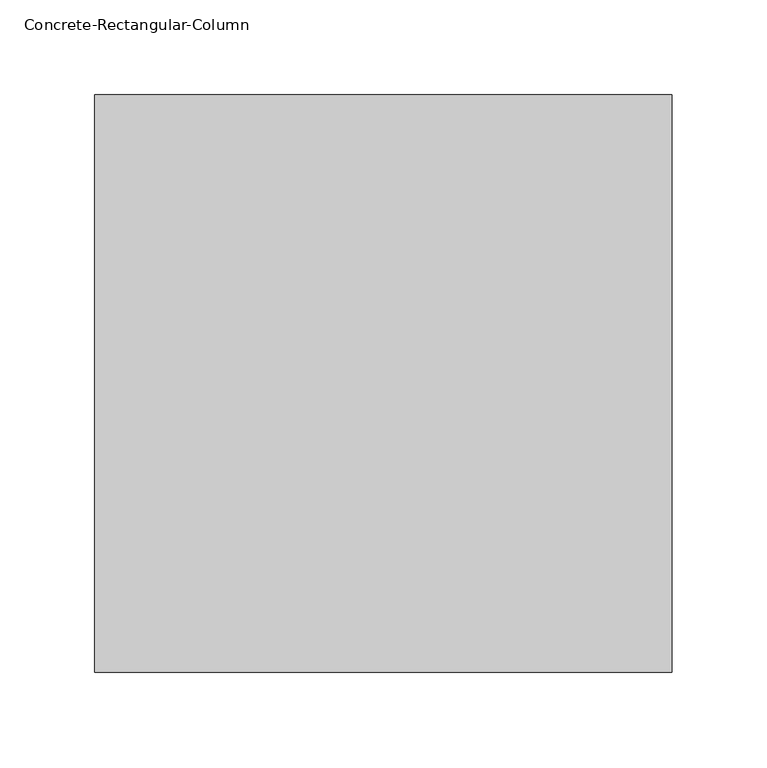
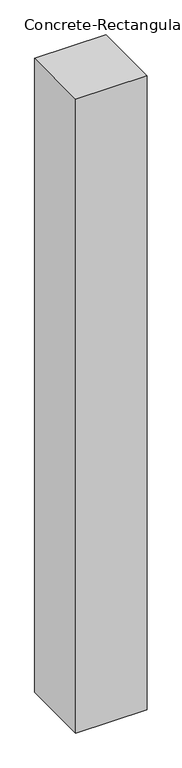
"""IFC4 building model written with IfcOpenShell, lengths in millimetres: column geometry, Concrete-Rectangular-Column."""

from ifc_helpers import new_model, si_unit, origin, origin_with_axes, place, context, project, spatial, polyline, outline, extrude, source, transform, mapped, element, save


def concrete_rectangular_column_a3b698d6(model_context):
    return source(origin(), model_context, "Body", "SweptSolid", [
        extrude(outline(polyline([(152.4, 152.4), (152.4, -152.4), (-152.4, -152.4), (-152.4, 152.4), (152.4, 152.4)])), origin_with_axes(), (0.0, 0.0, 1.0), 2870.2),
    ])


if __name__ == "__main__":
    model = new_model("IFC4")
    model_context = context("Model", 3, world=origin())
    ifc_project = project(units=[si_unit("LENGTHUNIT", "METRE", prefix="MILLI")], contexts=[model_context])
    site = spatial("IfcSite", under=ifc_project)
    building = spatial("IfcBuilding", under=site)
    placement = place(None, origin())
    concrete_rectangular_column_shape = concrete_rectangular_column_a3b698d6(model_context)
    element("IfcColumn", 1, ObjectType="Concrete-Rectangular-Column", at=placement, inside=building, context=model_context, shape_type="MappedRepresentation", body=[
        mapped(concrete_rectangular_column_shape, transform((0.0, 0.0, 0.0), x_axis=(1.0, 0.0, 0.0), y_axis=(0.0, 1.0, 0.0), z_axis=(0.0, 0.0, 1.0))),
    ])
    save(model, "model.ifc")
